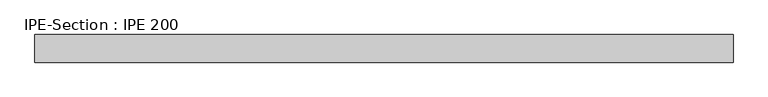
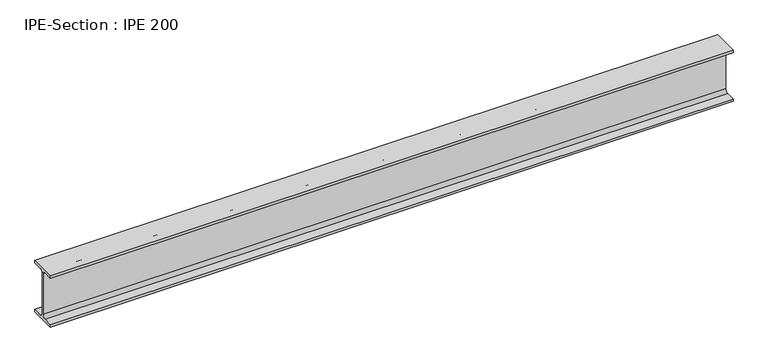
"""IFC4 building model written with IfcOpenShell, lengths in millimetres: beam geometry, IPE-Section : IPE 200."""

from ifc_helpers import new_model, si_unit, point, frame, frame_2d, origin, place, context, project, spatial, polyline, circle_curve, trimmed, segment, composite_curve, outline, extrude, source, transform, mapped, element, save


def ipe_section_ipe_200_9f14a2c5(model_context):
    return source(origin(), model_context, "Body", "SweptSolid", [
        extrude(outline(composite_curve([segment(polyline([(-50.0, -91.5), (-14.8, -91.5)]), True, "CONTINUOUS"), segment(trimmed(circle_curve(frame_2d((-14.8, -79.5)), 12.0), [point((-14.8, -91.5))], [point((-2.8, -79.5))], True, "CARTESIAN"), True, "CONTINUOUS"), segment(polyline([(-2.8, -79.5), (-2.8, 79.5)]), True, "CONTINUOUS"), segment(trimmed(circle_curve(frame_2d((-14.8, 79.5)), 12.0), [point((-2.8, 79.5))], [point((-14.8, 91.5))], True, "CARTESIAN"), True, "CONTINUOUS"), segment(polyline([(-14.8, 91.5), (-50.0, 91.5), (-50.0, 100.0), (50.0, 100.0), (50.0, 91.5), (14.8, 91.5)]), True, "CONTINUOUS"), segment(trimmed(circle_curve(frame_2d((14.8, 79.5)), 12.0), [point((14.8, 91.5))], [point((2.8, 79.5))], True, "CARTESIAN"), True, "CONTINUOUS"), segment(polyline([(2.8, 79.5), (2.8, -79.5)]), True, "CONTINUOUS"), segment(trimmed(circle_curve(frame_2d((14.8, -79.5)), 12.0), [point((2.8, -79.5))], [point((14.8, -91.5))], True, "CARTESIAN"), True, "CONTINUOUS"), segment(polyline([(14.8, -91.5), (50.0, -91.5), (50.0, -100.0), (-50.0, -100.0), (-50.0, -91.5)]), True, "CONTINUOUS")], self_intersect=False)), frame((-1245.4129762, 0.0, 0.0), z_axis=(1.0, 0.0, 0.0), x_axis=(0.0, 1.0, 0.0)), (0.0, 0.0, 1.0), 2527.9573882),
    ])


if __name__ == "__main__":
    model = new_model("IFC4")
    model_context = context("Model", 3, world=origin())
    ifc_project = project(units=[si_unit("LENGTHUNIT", "METRE", prefix="MILLI")], contexts=[model_context])
    site = spatial("IfcSite", under=ifc_project)
    building = spatial("IfcBuilding", under=site)
    placement = place(None, origin())
    ipe_section_ipe_200_shape = ipe_section_ipe_200_9f14a2c5(model_context)
    element("IfcBeam", 1, ObjectType="IPE-Section : IPE 200", at=placement, inside=building, context=model_context, shape_type="MappedRepresentation", body=[
        mapped(ipe_section_ipe_200_shape, transform((0.0, 0.0, 0.0), x_axis=(1.0, 0.0, 0.0), y_axis=(0.0, 1.0, 0.0), z_axis=(0.0, 0.0, 1.0))),
    ])
    save(model, "model.ifc")
